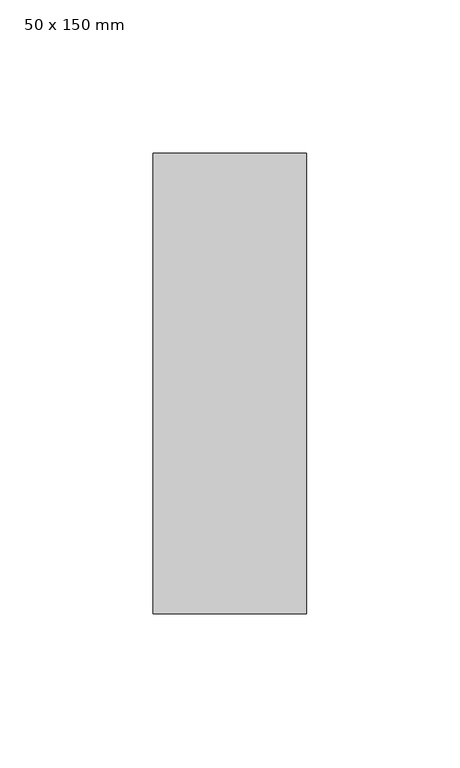
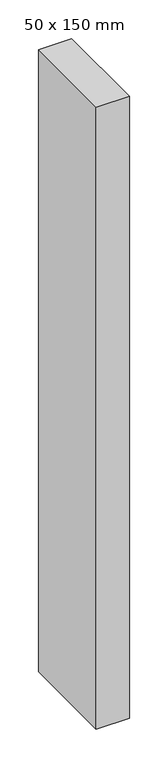
"""IFC4 building model written with IfcOpenShell, lengths in millimetres: member geometry, 50 x 150 mm."""

from ifc_helpers import new_model, si_unit, frame, origin, place, context, project, spatial, polyline, outline, extrude, source, transform, mapped, element, save


def member_50_x_150_mm_89b3828e(model_context):
    return source(origin(), model_context, "Body", "SweptSolid", [
        extrude(outline(polyline([(0.0, 75.0), (0.0, -75.0), (-50.0, -75.0), (-50.0, 75.0), (0.0, 75.0)])), frame((0.0, 0.0, -985.0), z_axis=(0.0, 0.0, 1.0), x_axis=(1.0, 0.0, 0.0)), (0.0, 0.0, 1.0), 985.0),
    ])


if __name__ == "__main__":
    model = new_model("IFC4")
    model_context = context("Model", 3, world=origin())
    ifc_project = project(units=[si_unit("LENGTHUNIT", "METRE", prefix="MILLI")], contexts=[model_context])
    site = spatial("IfcSite", under=ifc_project)
    building = spatial("IfcBuilding", under=site)
    placement = place(None, origin())
    member_50_x_150_mm_shape = member_50_x_150_mm_89b3828e(model_context)
    element("IfcMember", 1, ObjectType="50 x 150 mm", at=placement, inside=building, context=model_context, shape_type="MappedRepresentation", body=[
        mapped(member_50_x_150_mm_shape, transform((0.0, 0.0, 0.0), x_axis=(1.0, 0.0, 0.0), y_axis=(0.0, 1.0, 0.0), z_axis=(0.0, 0.0, 1.0))),
    ])
    save(model, "model.ifc")
